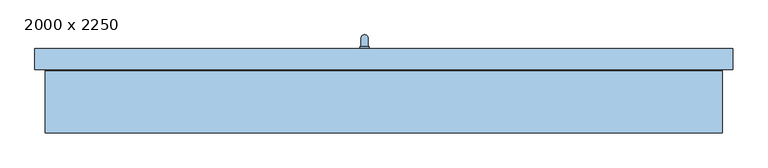
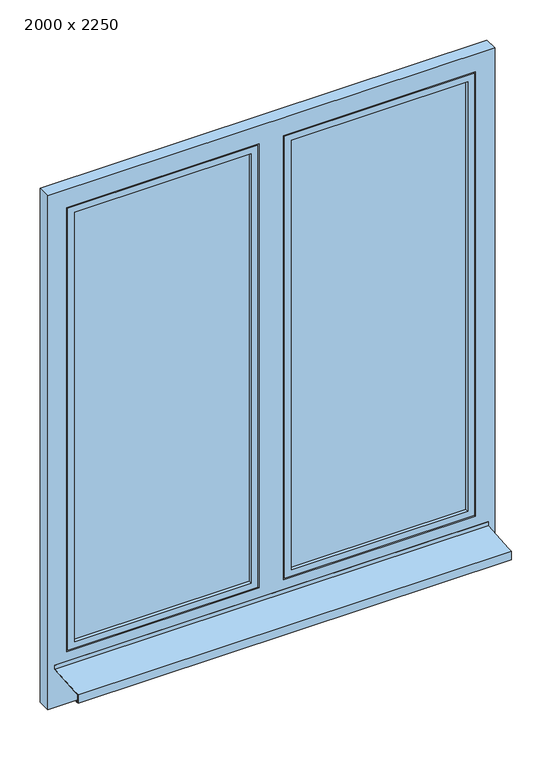
"""IFC4 building model written with IfcOpenShell, lengths in millimetres: window geometry, 2000 x 2250."""

import ifcopenshell
import ifcopenshell.guid

model = None  # the IFC model being written
_history = None  # IfcOwnerHistory: only IFC2X3 demands one
_inside = {}  # id of a spatial element -> (the spatial element, [elements in it])
_under = {}  # id of a project, library or spatial element -> (it, [spatial elements below it])
_declared = {}  # id of a project -> (the project, [libraries it declares])
_typed = {}  # id of a type object -> (the type object, [elements of that type])
_made_of = {}  # id of a material, layer set ... -> (it, [elements and type objects made of it])


def new_model(schema):
    """Start an empty IFC model of exactly this schema.

    Asked for "IFC4X3", IfcOpenShell would pick the latest addendum, in which some entities
    have other attributes; the version numbers below select the first issue.
    IFC2X3 requires an IfcOwnerHistory on every rooted entity: one is made here for all.
    """
    global model, _history
    if schema == "IFC4X3":
        model = ifcopenshell.file(schema_version=(4, 3, 0, 0))
    else:
        model = ifcopenshell.file(schema=schema)
    _inside.clear()
    _under.clear()
    _declared.clear()
    _typed.clear()
    _made_of.clear()
    _history = None
    if model.schema == "IFC2X3":
        org = make("IfcOrganization", Name="unknown")
        user = make(
            "IfcPersonAndOrganization",
            ThePerson=make("IfcPerson", FamilyName="unknown"),
            TheOrganization=org,
        )
        app = make(
            "IfcApplication",
            ApplicationDeveloper=org,
            Version="unknown",
            ApplicationFullName="unknown",
            ApplicationIdentifier="unknown",
        )
        _history = make(
            "IfcOwnerHistory",
            OwningUser=user,
            OwningApplication=app,
            ChangeAction="ADDED",
            CreationDate=0,
        )
    return model


def make(cls, **values):
    """One entity of the class cls with the attributes given. An attribute that is None is left unset."""
    return model.create_entity(
        cls, **{name: value for name, value in values.items() if value is not None}
    )


def rooted(cls, **values):
    """An entity with a GlobalId (a new one), such as an element, a storey or a relation."""
    return make(cls, GlobalId=ifcopenshell.guid.new(), OwnerHistory=_history, **values)


def si_unit(unit_type, name, prefix=None):
    """IfcSIUnit, for example si_unit("LENGTHUNIT", "METRE", prefix="MILLI")."""
    return make("IfcSIUnit", UnitType=unit_type, Prefix=prefix, Name=name)


def assignment(units):
    """IfcUnitAssignment: the units of a project."""
    return None if units is None else make("IfcUnitAssignment", Units=units)


def point(xyz):
    """IfcCartesianPoint."""
    return None if xyz is None else make("IfcCartesianPoint", Coordinates=xyz)


def direction(xyz):
    """IfcDirection."""
    return None if xyz is None else make("IfcDirection", DirectionRatios=xyz)


def frame(location, z_axis=None, x_axis=None):
    """IfcAxis2Placement3D, a coordinate frame: its origin and axes. An axis left out is left unset."""
    return make(
        "IfcAxis2Placement3D",
        Location=point(location),
        Axis=direction(z_axis),
        RefDirection=direction(x_axis),
    )


def origin():
    """The frame at (0, 0, 0) with its axes left unset."""
    return frame((0.0, 0.0, 0.0))


def place(relative_to, where):
    """IfcLocalPlacement: puts the frame where relative to a parent placement (None: the world)."""
    return make(
        "IfcLocalPlacement", PlacementRelTo=relative_to, RelativePlacement=where
    )


def context(
    kind, dimensions, precision=None, world=None, true_north=None, identifier=None
):
    """IfcGeometricRepresentationContext, for example the 3D "Model" context."""
    return make(
        "IfcGeometricRepresentationContext",
        ContextIdentifier=identifier,
        ContextType=kind,
        CoordinateSpaceDimension=dimensions,
        Precision=precision,
        WorldCoordinateSystem=world,
        TrueNorth=true_north,
    )


def project(units=None, contexts=None):
    """IfcProject with its units and contexts."""
    return rooted(
        "IfcProject",
        Name="project",
        RepresentationContexts=contexts,
        UnitsInContext=assignment(units),
    )


def spatial(cls, under=None, at=None, **own):
    """A site, building, storey or space (cls), placed at a placement, below another one or the project."""
    s = rooted(cls, ObjectPlacement=at, **own)
    if under is not None:
        _under.setdefault(under.id(), (under, []))[1].append(s)
    return s


def polyline(points):
    """IfcPolyline through the points."""
    return make("IfcPolyline", Points=[point(p) for p in points])


def circle_curve(where, radius):
    """IfcCircle in the frame where."""
    return make("IfcCircle", Position=where, Radius=radius)


def ellipse_curve(where, semi_axis1, semi_axis2):
    """IfcEllipse in the frame where."""
    return make(
        "IfcEllipse", Position=where, SemiAxis1=semi_axis1, SemiAxis2=semi_axis2
    )


def outline(outer, holes=None, kind="AREA"):
    """IfcArbitraryClosedProfileDef: a profile drawn as a closed curve; with holes, ...WithVoids."""
    if holes is None:
        return make("IfcArbitraryClosedProfileDef", ProfileType=kind, OuterCurve=outer)
    return make(
        "IfcArbitraryProfileDefWithVoids",
        ProfileType=kind,
        OuterCurve=outer,
        InnerCurves=holes,
    )


def extrude(swept, where, along, depth):
    """IfcExtrudedAreaSolid: the profile swept, set in the frame where, extruded along a direction by depth."""
    return make(
        "IfcExtrudedAreaSolid",
        SweptArea=swept,
        Position=where,
        ExtrudedDirection=direction(along),
        Depth=depth,
    )


def faces_of(points, faces, orient=None, outer=None):
    """IfcFace entities. A face is a list of loops; a loop is a list of indices into points, from 0.

    orient and outer hold one flag for each loop. By default every Orientation is true, the
    first loop of a face is its IfcFaceOuterBound and the others are IfcFaceBound.
    """
    made = []
    for i, loops in enumerate(faces):
        bounds = []
        for j, loop in enumerate(loops):
            is_outer = j == 0 if outer is None else outer[i][j]
            bounds.append(
                make(
                    "IfcFaceOuterBound" if is_outer else "IfcFaceBound",
                    Bound=make("IfcPolyLoop", Polygon=[points[k] for k in loop]),
                    Orientation=True if orient is None else orient[i][j],
                )
            )
        made.append(make("IfcFace", Bounds=bounds))
    return made


def faceted_brep(points, faces, orient=None, outer=None, voids=None):
    """IfcFacetedBrep: a solid bounded by flat faces; with voids (closed shells), ...WithVoids."""
    shared = [point(p) for p in points]
    hull = make("IfcClosedShell", CfsFaces=faces_of(shared, faces, orient, outer))
    if voids is None:
        return make("IfcFacetedBrep", Outer=hull)
    return make(
        "IfcFacetedBrepWithVoids",
        Outer=hull,
        Voids=[
            make(cls, CfsFaces=faces_of(shared, fs, o, b)) for cls, fs, o, b in voids
        ],
    )


def shape(context_of_items, identifier, shape_type, items):
    """IfcShapeRepresentation: the items that make up one representation, for example the "Body"."""
    return make(
        "IfcShapeRepresentation",
        ContextOfItems=context_of_items,
        RepresentationIdentifier=identifier,
        RepresentationType=shape_type,
        Items=items,
    )


def source(mapping_origin, context_of_items, identifier, shape_type, items):
    """IfcRepresentationMap: a shape defined once, which mapped items show again and again."""
    return make(
        "IfcRepresentationMap",
        MappingOrigin=mapping_origin,
        MappedRepresentation=shape(context_of_items, identifier, shape_type, items),
    )


def transform(
    local_origin,
    x_axis=None,
    y_axis=None,
    z_axis=None,
    scale=None,
    scale2=None,
    scale3=None,
    uniform=True,
):
    """IfcCartesianTransformationOperator3D, or its non-uniform kind. x_axis, y_axis, z_axis: its Axis1, 2, 3."""
    if uniform:
        return make(
            "IfcCartesianTransformationOperator3D",
            Axis1=direction(x_axis),
            Axis2=direction(y_axis),
            LocalOrigin=point(local_origin),
            Scale=scale,
            Axis3=direction(z_axis),
        )
    return make(
        "IfcCartesianTransformationOperator3DnonUniform",
        Axis1=direction(x_axis),
        Axis2=direction(y_axis),
        LocalOrigin=point(local_origin),
        Scale=scale,
        Axis3=direction(z_axis),
        Scale2=scale2,
        Scale3=scale3,
    )


def mapped(mapping_source, mapping_target):
    """IfcMappedItem: shows the shape of a source again, moved by a transform."""
    return make(
        "IfcMappedItem", MappingSource=mapping_source, MappingTarget=mapping_target
    )


def made_of(thing, what):
    """Note that an element or type object is made of a material, layer set ...; save() writes the relation."""
    if what is not None:
        _made_of.setdefault(what.id(), (what, []))[1].append(thing)
    return thing


def element(
    cls,
    number,
    at=None,
    inside=None,
    cuts=None,
    type_object=None,
    material=None,
    context=None,
    identifier="Body",
    shape_type=None,
    held_by="IfcProductDefinitionShape",
    body=None,
    shapes=None,
    **own,
):
    """One element of the class cls, such as IfcWall. Its Tag is "e" and its number.

    at: its placement. inside: the storey or other place that contains it. cuts: it is an
    opening in that element (IfcRelVoidsElement). A single representation is given by context,
    identifier, shape_type and body (its items); several are given by shapes. held_by: the class
    of the entity that holds the representations. save() writes the other relations.
    """
    e = rooted(cls, Tag="e%d" % number, ObjectPlacement=at, **own)
    if body is not None:
        shapes = [shape(context, identifier, shape_type, body)]
    if shapes is not None:
        e.Representation = make(held_by, Representations=shapes)
    if inside is not None:
        _inside.setdefault(inside.id(), (inside, []))[1].append(e)
    if cuts is not None:
        rooted(
            "IfcRelVoidsElement", RelatingBuildingElement=cuts, RelatedOpeningElement=e
        )
    if type_object is not None:
        _typed.setdefault(type_object.id(), (type_object, []))[1].append(e)
    return made_of(e, material)


def aggregate(whole, parts):
    """IfcRelAggregates: a whole, such as a stair, and the parts it consists of."""
    return rooted("IfcRelAggregates", RelatingObject=whole, RelatedObjects=parts)


def save(model, path):
    """Write the relations noted so far, then the file.

    IfcRelAggregates (storeys below a building ...), IfcRelContainedInSpatialStructure (elements
    in a storey), IfcRelDefinesByType, IfcRelAssociatesMaterial and IfcRelDeclares: one each for
    every whole, place, type object, material and project.
    """
    for whole, parts in _under.values():
        aggregate(whole, parts)
    for where, things in _inside.values():
        rooted(
            "IfcRelContainedInSpatialStructure",
            RelatedElements=things,
            RelatingStructure=where,
        )
    for kind, things in _typed.values():
        rooted("IfcRelDefinesByType", RelatedObjects=things, RelatingType=kind)
    for what, things in _made_of.values():
        rooted("IfcRelAssociatesMaterial", RelatedObjects=things, RelatingMaterial=what)
    for by, libraries in _declared.values():
        rooted("IfcRelDeclares", RelatingContext=by, RelatedDefinitions=libraries)
    model.write(path)


def plane_surface(at):
    """IfcPlane: the flat surface through the origin of the frame at, square to its z axis."""
    return make("IfcPlane", Position=at)


def cylinder_surface(at, radius):
    """IfcCylindricalSurface: all points at the distance radius from the z axis of the frame at."""
    return make("IfcCylindricalSurface", Position=at, Radius=radius)


def advanced_brep(points, edges, surfaces, faces):
    """IfcAdvancedBrep: a solid bounded by faces that lie on surfaces and meet in shared edges.

    An edge is (start, end): straight between two places in points (the first is 0);
    or (start, end, curve); or (start, end, curve, False) where it runs against its curve.
    A face is (place in surfaces, loops), or (place, loops, False) where it looks against
    its surface's normal. A loop lists edges by number (the first is 1), with a minus sign
    where the edge is run from its end to its start. The first loop is the outer one.
    """
    corners = [point(p) for p in points]
    vertices = [make("IfcVertexPoint", VertexGeometry=c) for c in corners]
    made = []
    for start, end, *more in edges:
        made.append(
            make(
                "IfcEdgeCurve",
                EdgeStart=vertices[start],
                EdgeEnd=vertices[end],
                EdgeGeometry=more[0] if more else make("IfcPolyline", Points=[corners[start], corners[end]]),
                SameSense=more[1] if len(more) > 1 else True,
            )
        )
    hull = []
    for where, loops, *sense in faces:
        bounds = []
        for j, loop in enumerate(loops):
            ring = [make("IfcOrientedEdge", EdgeElement=made[abs(k) - 1], Orientation=k > 0) for k in loop]
            bounds.append(
                make(
                    "IfcFaceOuterBound" if j == 0 else "IfcFaceBound",
                    Bound=make("IfcEdgeLoop", EdgeList=ring),
                    Orientation=True,
                )
            )
        hull.append(make("IfcAdvancedFace", Bounds=bounds, FaceSurface=surfaces[where], SameSense=sense[0] if sense else True))
    return make("IfcAdvancedBrep", Outer=make("IfcClosedShell", CfsFaces=hull))


def window_2000_x_2250_9bccd4f7(model_context):
    return source(origin(), model_context, "Body", "SolidModel", [
        faceted_brep([(910.0, -30.0, 70.0), (60.0, -30.0, 70.0), (60.0, -15.0, 70.0), (910.0, -15.0, 70.0), (90.0, 30.0, 100.0), (90.0, 30.0, 2130.0), (90.0, -30.0, 2130.0), (90.0, -30.0, 100.0), (35.0, 0.0, 45.0), (35.0, 0.0, 2185.0), (35.0, 15.0, 2185.0), (35.0, 15.0, 45.0), (45.0, -15.0, 55.0), (45.0, -15.0, 2175.0), (45.0, 0.0, 2175.0), (45.0, 0.0, 55.0), (60.0, -30.0, 2160.0), (60.0, -15.0, 2160.0), (880.0, 30.0, 2130.0), (880.0, 30.0, 100.0), (880.0, -30.0, 100.0), (880.0, -30.0, 2130.0), (910.0, -30.0, 2160.0), (950.0, 30.0, 2200.0), (950.0, 30.0, 30.0), (20.0, 30.0, 30.0), (20.0, 30.0, 2200.0), (950.0, 15.0, 2200.0), (950.0, 15.0, 30.0), (20.0, 15.0, 30.0), (20.0, 15.0, 2200.0), (935.0, 15.0, 2185.0), (935.0, 15.0, 45.0), (935.0, 0.0, 2185.0), (935.0, 0.0, 45.0), (925.0, 0.0, 2175.0), (925.0, 0.0, 55.0), (925.0, -15.0, 2175.0), (925.0, -15.0, 55.0), (910.0, -15.0, 2160.0)], [[[0, 1, 2, 3]], [[4, 5, 6, 7]], [[8, 9, 10, 11]], [[12, 13, 14, 15]], [[1, 16, 17, 2]], [[18, 19, 20, 21]], [[0, 22, 16, 1], [21, 20, 7, 6]], [[19, 4, 7, 20]], [[23, 24, 25, 26], [19, 18, 5, 4]], [[27, 28, 24, 23]], [[28, 29, 25, 24]], [[28, 27, 30, 29], [31, 32, 11, 10]], [[33, 34, 32, 31]], [[34, 8, 11, 32]], [[34, 33, 9, 8], [35, 36, 15, 14]], [[37, 38, 36, 35]], [[38, 12, 15, 36]], [[38, 37, 13, 12], [39, 3, 2, 17]], [[22, 0, 3, 39]], [[29, 30, 26, 25]], [[5, 18, 21, 6]], [[30, 27, 23, 26]], [[9, 33, 31, 10]], [[13, 37, 35, 14]], [[16, 22, 39, 17]]]),
        extrude(outline(polyline([(880.0, -15.0), (90.0, -15.0), (90.0, 29.0), (880.0, 29.0), (880.0, -15.0)])), frame((0.0, 0.0, 100.0), z_axis=(0.0, 0.0, 1.0), x_axis=(1.0, 0.0, 0.0)), (0.0, 0.0, 1.0), 2030.0),
        faceted_brep([(-970.0, -212.0, -9.3747566), (970.0, -212.0, -9.3747566), (970.0, -190.0, -7.9997566), (970.0, -32.0, 1.8752434), (-970.0, -32.0, 1.8752434), (-970.0, -190.0, -7.9997566), (-970.0, -212.0, -49.3747566), (970.0, -212.0, -49.3747566), (-970.0, -200.0, -49.3747566), (970.0, -200.0, -49.3747566), (-970.0, -200.0, -47.3747566), (970.0, -200.0, -47.3747566), (-970.0, -210.0, -47.3747566), (970.0, -210.0, -47.3747566), (-970.0, -210.0, -11.25), (970.0, -210.0, -11.25), (-970.0, -190.0, -10.0), (-970.0, -30.0, 0.0), (970.0, -30.0, 0.0), (970.0, -190.0, -10.0), (-970.0, -30.0, 20.0), (970.0, -30.0, 20.0), (-970.0, -32.0, 20.0), (970.0, -32.0, 20.0)], [[[0, 1, 2, 3, 4, 5]], [[6, 7, 1, 0]], [[8, 9, 7, 6]], [[10, 11, 9, 8]], [[12, 13, 11, 10]], [[14, 15, 13, 12]], [[16, 17, 18, 19, 15, 14]], [[20, 21, 18, 17]], [[22, 23, 21, 20]], [[4, 3, 23, 22]], [[16, 14, 12, 10, 8, 6, 0, 5]], [[19, 18, 21, 23, 3, 2]], [[5, 4, 22, 20, 17, 16]], [[2, 1, 7, 9, 11, 13, 15, 19]]]),
        advanced_brep(
        [(-67.5, 30.0, 1132.5), (-67.5, 30.0, 1115.0), (-67.5, 30.0, 1097.5), (-42.5, 30.0, 1097.5), (-42.5, 30.0, 1115.0), (-42.5, 30.0, 1132.5), (-45.0, 60.0, 1115.0), (-65.0, 60.0, 1115.0), (-65.0, 36.0, 1115.0), (-45.0, 36.0, 1115.0), (-45.0, 60.0, 995.0), (-65.0, 60.0, 995.0), (-67.5, 36.0, 1132.5), (-42.5, 36.0, 1132.5), (-42.5, 36.0, 1115.0), (-42.5, 36.0, 1097.5), (-67.5, 36.0, 1097.5), (-67.5, 36.0, 1115.0)],
        [
            (0, 1),
            (1, 2),
            (2, 3, circle_curve(frame((-55.0, 30.0, 1097.5), z_axis=(0.0, -1.0, 0.0), x_axis=(-1.0, 0.0, 0.0)), 12.5)),
            (3, 4),
            (4, 5),
            (5, 0, circle_curve(frame((-55.0, 30.0, 1132.5), z_axis=(0.0, -1.0, 0.0), x_axis=(-1.0, 0.0, 0.0)), 12.5)),
            (6, 7, ellipse_curve(frame((-55.0, 60.0, 1115.0), z_axis=(0.0, -0.7071067811865498, 0.7071067811865451), x_axis=(0.0, -0.7071067811865452, -0.7071067811865497)), 14.1421356, 10.0)),
            (7, 8),
            (8, 9, circle_curve(frame((-55.0, 36.0, 1115.0), z_axis=(0.0, 1.0, 0.0), x_axis=(-1.0, 0.0, 0.0)), 10.0)),
            (9, 6),
            (7, 6, ellipse_curve(frame((-55.0, 60.0, 1115.0), z_axis=(0.0, -0.7071067811865498, 0.7071067811865451), x_axis=(0.0, -0.7071067811865452, -0.7071067811865497)), 14.1421356, 10.0)),
            (9, 8, circle_curve(frame((-55.0, 36.0, 1115.0), z_axis=(0.0, 1.0, 0.0), x_axis=(-1.0, 0.0, 0.0)), 10.0)),
            (10, 11, circle_curve(frame((-55.0, 60.0, 995.0), z_axis=(0.0, 0.0, -1.0), x_axis=(-1.0, 0.0, 0.0)), 10.0)),
            (11, 10, circle_curve(frame((-55.0, 60.0, 995.0), z_axis=(0.0, 0.0, -1.0), x_axis=(-1.0, 0.0, 0.0)), 10.0)),
            (6, 10),
            (11, 7),
            (12, 13, circle_curve(frame((-55.0, 36.0, 1132.5), z_axis=(0.0, 1.0, 0.0), x_axis=(-1.0, 0.0, 0.0)), 12.5)),
            (13, 14),
            (14, 15),
            (15, 16, circle_curve(frame((-55.0, 36.0, 1097.5), z_axis=(0.0, 1.0, 0.0), x_axis=(-1.0, 0.0, 0.0)), 12.5)),
            (16, 17),
            (17, 12),
            (12, 0),
            (5, 13),
            (4, 14),
            (3, 15),
            (2, 16),
            (1, 17),
        ],
        [
            plane_surface(frame((-55.0, 30.0, 1115.0), z_axis=(0.0, -1.0, 0.0), x_axis=(-1.0, 0.0, 0.0))),
            cylinder_surface(frame((-55.0, 30.0, 1115.0), z_axis=(0.0, -1.0, 0.0), x_axis=(-1.0, 0.0, 0.0)), 10.0),
            plane_surface(frame((-55.0, 60.0, 995.0), z_axis=(0.0, 0.0, -1.0), x_axis=(-1.0, 0.0, 0.0))),
            cylinder_surface(frame((-55.0, 60.0, 1115.0), z_axis=(0.0, 0.0, 1.0), x_axis=(-1.0, 0.0, 0.0)), 10.0),
            plane_surface(frame((-67.5, 36.0, 1132.5), z_axis=(0.0, 1.0, 0.0), x_axis=(0.0, 0.0, 1.0))),
            cylinder_surface(frame((-55.0, 30.0, 1132.5), z_axis=(0.0, 1.0, 0.0), x_axis=(-1.0, 0.0, 0.0)), 12.5),
            plane_surface(frame((-42.5, 36.0, 1132.5), z_axis=(1.0, 0.0, 0.0), x_axis=(0.0, -1.0, 0.0))),
            plane_surface(frame((-42.5, 36.0, 1115.0), z_axis=(1.0, 0.0, 0.0), x_axis=(0.0, -1.0, 0.0))),
            cylinder_surface(frame((-55.0, 30.0, 1097.5), z_axis=(0.0, 1.0, 0.0), x_axis=(-1.0, 0.0, 0.0)), 12.5),
            plane_surface(frame((-67.5, 36.0, 1097.5), z_axis=(-1.0, 0.0, 0.0), x_axis=(0.0, -1.0, 0.0))),
            plane_surface(frame((-67.5, 36.0, 1115.0), z_axis=(-1.0, 0.0, 0.0), x_axis=(0.0, -1.0, 0.0))),
        ],
        [
            (0, [[1, 2, 3, 4, 5, 6]]),
            (1, [[7, 8, 9, 10]]),
            (1, [[11, -10, 12, -8]]),
            (2, [[13, 14]]),
            (3, [[-7, 15, -14, 16]]),
            (3, [[-11, -16, -13, -15]]),
            (4, [[17, 18, 19, 20, 21, 22], [-9, -12]]),
            (5, [[-17, 23, -6, 24]]),
            (6, [[-18, -24, -5, 25]]),
            (7, [[-19, -25, -4, 26]]),
            (8, [[-20, -26, -3, 27]]),
            (9, [[-21, -27, -2, 28]]),
            (10, [[-22, -28, -1, -23]]),
        ],
    ),
        faceted_brep([(-880.0, 30.0, 2130.0), (-880.0, -30.0, 2130.0), (-880.0, -30.0, 100.0), (-880.0, 30.0, 100.0), (-910.0, -30.0, 70.0), (-60.0, -30.0, 70.0), (-60.0, -30.0, 2160.0), (-910.0, -30.0, 2160.0), (-90.0, -30.0, 2130.0), (-90.0, -30.0, 100.0), (-90.0, 30.0, 100.0), (-950.0, 30.0, 2200.0), (-20.0, 30.0, 2200.0), (-20.0, 30.0, 30.0), (-950.0, 30.0, 30.0), (-90.0, 30.0, 2130.0), (-950.0, 15.0, 2200.0), (-950.0, 15.0, 30.0), (-20.0, 15.0, 30.0), (-20.0, 15.0, 2200.0), (-935.0, 15.0, 2185.0), (-35.0, 15.0, 2185.0), (-35.0, 15.0, 45.0), (-935.0, 15.0, 45.0), (-935.0, 0.0, 2185.0), (-935.0, 0.0, 45.0), (-35.0, 0.0, 45.0), (-35.0, 0.0, 2185.0), (-925.0, 0.0, 2175.0), (-45.0, 0.0, 2175.0), (-45.0, 0.0, 55.0), (-925.0, 0.0, 55.0), (-925.0, -15.0, 2175.0), (-925.0, -15.0, 55.0), (-45.0, -15.0, 55.0), (-45.0, -15.0, 2175.0), (-910.0, -15.0, 2160.0), (-60.0, -15.0, 2160.0), (-60.0, -15.0, 70.0), (-910.0, -15.0, 70.0)], [[[0, 1, 2, 3]], [[4, 5, 6, 7], [1, 8, 9, 2]], [[3, 2, 9, 10]], [[11, 12, 13, 14], [3, 10, 15, 0]], [[16, 11, 14, 17]], [[17, 14, 13, 18]], [[17, 18, 19, 16], [20, 21, 22, 23]], [[24, 20, 23, 25]], [[25, 23, 22, 26]], [[25, 26, 27, 24], [28, 29, 30, 31]], [[32, 28, 31, 33]], [[33, 31, 30, 34]], [[33, 34, 35, 32], [36, 37, 38, 39]], [[7, 36, 39, 4]], [[4, 39, 38, 5]], [[10, 9, 8, 15]], [[18, 13, 12, 19]], [[26, 22, 21, 27]], [[34, 30, 29, 35]], [[5, 38, 37, 6]], [[15, 8, 1, 0]], [[19, 12, 11, 16]], [[27, 21, 20, 24]], [[35, 29, 28, 32]], [[6, 37, 36, 7]]]),
        extrude(outline(polyline([(-880.0, -15.0), (-880.0, 29.0), (-90.0, 29.0), (-90.0, -15.0), (-880.0, -15.0)])), frame((0.0, 0.0, 100.0), z_axis=(0.0, 0.0, 1.0), x_axis=(1.0, 0.0, 0.0)), (0.0, 0.0, 1.0), 2030.0),
        faceted_brep([(1000.0, -30.0, -180.0), (-1000.0, -30.0, -180.0), (-1000.0, 30.0, -180.0), (1000.0, 30.0, -180.0), (1000.0, -30.0, 2250.0), (1000.0, 30.0, 2250.0), (-1000.0, 30.0, 2250.0), (-15.0, 30.0, 2205.0), (-955.0, 30.0, 2205.0), (-955.0, 30.0, 25.0), (-15.0, 30.0, 25.0), (955.0, 30.0, 2205.0), (15.0, 30.0, 2205.0), (15.0, 30.0, 25.0), (955.0, 30.0, 25.0), (-1000.0, -30.0, 2250.0), (-55.0, -30.0, 65.0), (-915.0, -30.0, 65.0), (-915.0, -30.0, 2165.0), (-55.0, -30.0, 2165.0), (915.0, -30.0, 65.0), (55.0, -30.0, 65.0), (55.0, -30.0, 2165.0), (915.0, -30.0, 2165.0), (-55.0, -15.0, 2165.0), (-55.0, -15.0, 65.0), (-915.0, -15.0, 65.0), (-915.0, -15.0, 2165.0), (915.0, -15.0, 2165.0), (915.0, -15.0, 65.0), (55.0, -15.0, 65.0), (55.0, -15.0, 2165.0), (-15.0, 15.0, 2205.0), (-15.0, 15.0, 25.0), (-955.0, 15.0, 25.0), (-955.0, 15.0, 2205.0), (955.0, 15.0, 2205.0), (955.0, 15.0, 25.0), (15.0, 15.0, 25.0), (15.0, 15.0, 2205.0), (-30.0, 15.0, 2190.0), (-940.0, 15.0, 2190.0), (-940.0, 15.0, 40.0), (-30.0, 15.0, 40.0), (-30.0, 0.0, 40.0), (-940.0, 0.0, 40.0), (-940.0, 0.0, 2190.0), (-30.0, 0.0, 2190.0), (-40.0, 0.0, 2180.0), (-930.0, 0.0, 2180.0), (-930.0, 0.0, 50.0), (-40.0, 0.0, 50.0), (-40.0, -15.0, 50.0), (-930.0, -15.0, 50.0), (-930.0, -15.0, 2180.0), (-40.0, -15.0, 2180.0), (940.0, 15.0, 2190.0), (30.0, 15.0, 2190.0), (30.0, 15.0, 40.0), (940.0, 15.0, 40.0), (940.0, 0.0, 40.0), (30.0, 0.0, 40.0), (30.0, 0.0, 2190.0), (940.0, 0.0, 2190.0), (930.0, 0.0, 2180.0), (40.0, 0.0, 2180.0), (40.0, 0.0, 50.0), (930.0, 0.0, 50.0), (930.0, -15.0, 50.0), (40.0, -15.0, 50.0), (40.0, -15.0, 2180.0), (930.0, -15.0, 2180.0)], [[[0, 1, 2, 3]], [[4, 0, 3, 5]], [[5, 3, 2, 6], [7, 8, 9, 10], [11, 12, 13, 14]], [[6, 2, 1, 15]], [[15, 1, 0, 4], [16, 17, 18, 19], [20, 21, 22, 23]], [[16, 19, 24, 25]], [[26, 27, 18, 17]], [[25, 26, 17, 16]], [[20, 23, 28, 29]], [[30, 31, 22, 21]], [[29, 30, 21, 20]], [[32, 7, 10, 33]], [[10, 9, 34, 33]], [[9, 8, 35, 34]], [[36, 11, 14, 37]], [[14, 13, 38, 37]], [[13, 12, 39, 38]], [[33, 34, 35, 32], [40, 41, 42, 43]], [[44, 45, 46, 47], [48, 49, 50, 51]], [[47, 40, 43, 44]], [[43, 42, 45, 44]], [[52, 53, 54, 55], [24, 27, 26, 25]], [[55, 48, 51, 52]], [[51, 50, 53, 52]], [[42, 41, 46, 45]], [[50, 49, 54, 53]], [[37, 38, 39, 36], [56, 57, 58, 59]], [[60, 61, 62, 63], [64, 65, 66, 67]], [[63, 56, 59, 60]], [[59, 58, 61, 60]], [[68, 69, 70, 71], [28, 31, 30, 29]], [[71, 64, 67, 68]], [[67, 66, 69, 68]], [[58, 57, 62, 61]], [[66, 65, 70, 69]], [[4, 5, 6, 15]], [[32, 35, 8, 7]], [[47, 46, 41, 40]], [[55, 54, 49, 48]], [[19, 18, 27, 24]], [[36, 39, 12, 11]], [[63, 62, 57, 56]], [[71, 70, 65, 64]], [[23, 22, 31, 28]]]),
    ])


if __name__ == "__main__":
    model = new_model("IFC4")
    model_context = context("Model", 3, world=origin())
    ifc_project = project(units=[si_unit("LENGTHUNIT", "METRE", prefix="MILLI")], contexts=[model_context])
    site = spatial("IfcSite", under=ifc_project)
    building = spatial("IfcBuilding", under=site)
    placement = place(None, origin())
    window_2000_x_2250_shape = window_2000_x_2250_9bccd4f7(model_context)
    element("IfcWindow", 1, ObjectType="2000 x 2250", at=placement, inside=building, context=model_context, shape_type="MappedRepresentation", body=[
        mapped(window_2000_x_2250_shape, transform((0.0, 0.0, 0.0), x_axis=(1.0, 0.0, 0.0), y_axis=(0.0, 1.0, 0.0), z_axis=(0.0, 0.0, 1.0))),
    ])
    save(model, "model.ifc")
